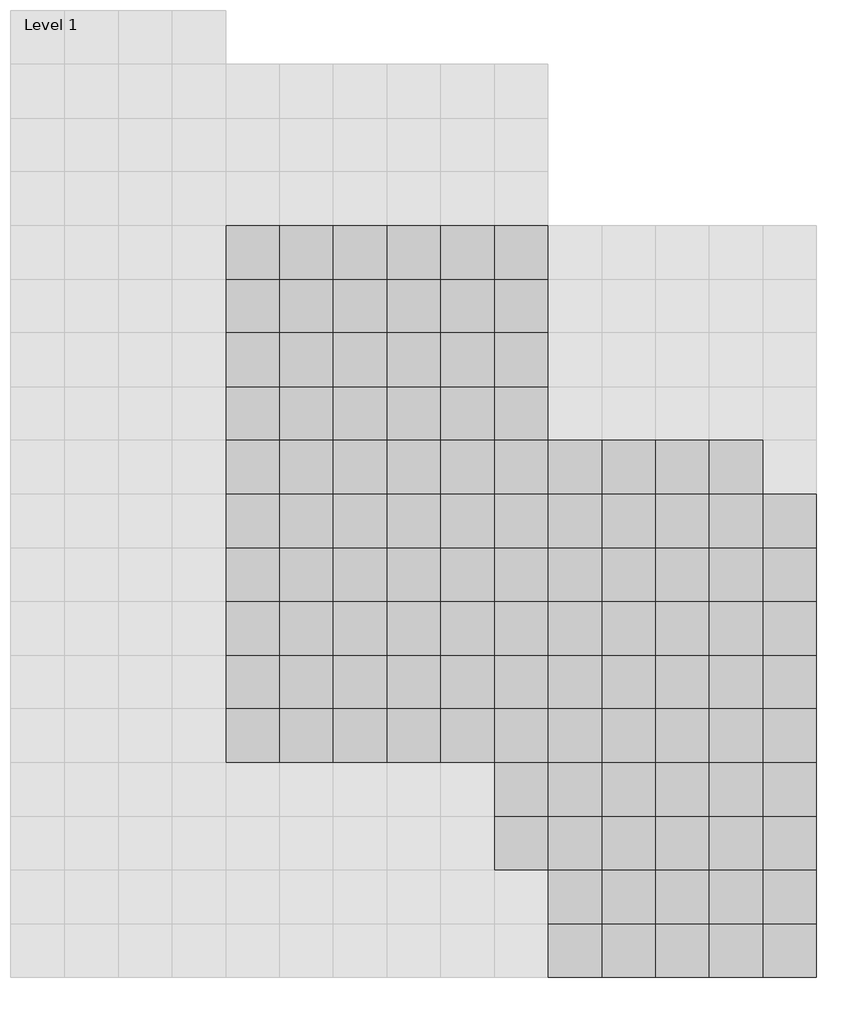
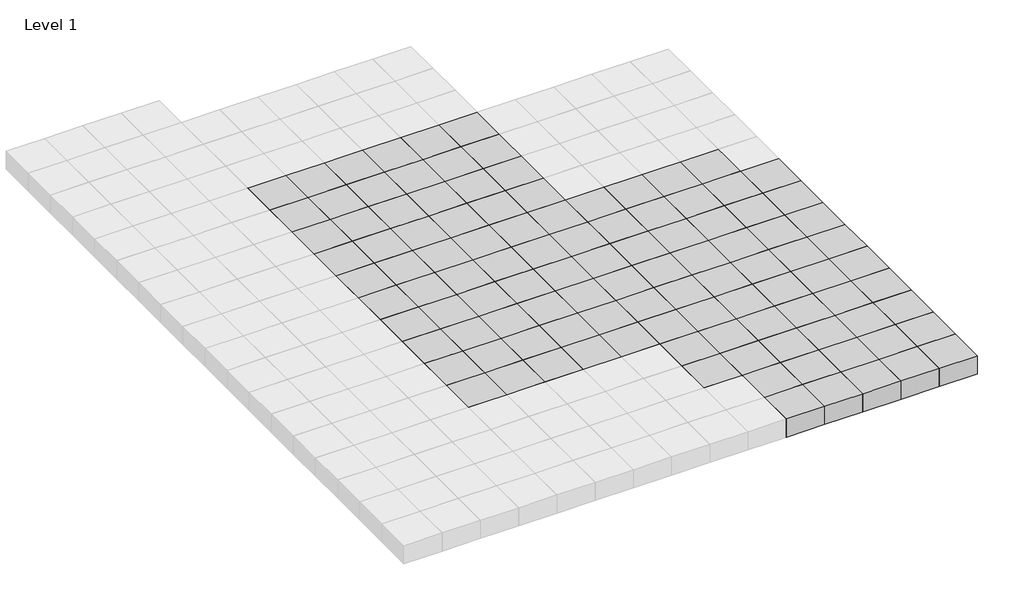
# One storey, part 23 of 30: 111 columns.
"""IFC4 building model written with IfcOpenShell, lengths in millimetres."""

import ifcopenshell
import ifcopenshell.guid

model = None  # the IFC model being written
_history = None  # IfcOwnerHistory: only IFC2X3 demands one
_inside = {}  # id of a spatial element -> (the spatial element, [elements in it])
_under = {}  # id of a project, library or spatial element -> (it, [spatial elements below it])
_declared = {}  # id of a project -> (the project, [libraries it declares])
_typed = {}  # id of a type object -> (the type object, [elements of that type])
_made_of = {}  # id of a material, layer set ... -> (it, [elements and type objects made of it])


def new_model(schema):
    """Start an empty IFC model of exactly this schema.

    Asked for "IFC4X3", IfcOpenShell would pick the latest addendum, in which some entities
    have other attributes; the version numbers below select the first issue.
    IFC2X3 requires an IfcOwnerHistory on every rooted entity: one is made here for all.
    """
    global model, _history
    if schema == "IFC4X3":
        model = ifcopenshell.file(schema_version=(4, 3, 0, 0))
    else:
        model = ifcopenshell.file(schema=schema)
    _inside.clear()
    _under.clear()
    _declared.clear()
    _typed.clear()
    _made_of.clear()
    _history = None
    if model.schema == "IFC2X3":
        org = make("IfcOrganization", Name="unknown")
        user = make(
            "IfcPersonAndOrganization",
            ThePerson=make("IfcPerson", FamilyName="unknown"),
            TheOrganization=org,
        )
        app = make(
            "IfcApplication",
            ApplicationDeveloper=org,
            Version="unknown",
            ApplicationFullName="unknown",
            ApplicationIdentifier="unknown",
        )
        _history = make(
            "IfcOwnerHistory",
            OwningUser=user,
            OwningApplication=app,
            ChangeAction="ADDED",
            CreationDate=0,
        )
    return model


def make(cls, **values):
    """One entity of the class cls with the attributes given. An attribute that is None is left unset."""
    return model.create_entity(
        cls, **{name: value for name, value in values.items() if value is not None}
    )


def rooted(cls, **values):
    """An entity with a GlobalId (a new one), such as an element, a storey or a relation."""
    return make(cls, GlobalId=ifcopenshell.guid.new(), OwnerHistory=_history, **values)


def si_unit(unit_type, name, prefix=None):
    """IfcSIUnit, for example si_unit("LENGTHUNIT", "METRE", prefix="MILLI")."""
    return make("IfcSIUnit", UnitType=unit_type, Prefix=prefix, Name=name)


def assignment(units):
    """IfcUnitAssignment: the units of a project."""
    return None if units is None else make("IfcUnitAssignment", Units=units)


def point(xyz):
    """IfcCartesianPoint."""
    return None if xyz is None else make("IfcCartesianPoint", Coordinates=xyz)


def direction(xyz):
    """IfcDirection."""
    return None if xyz is None else make("IfcDirection", DirectionRatios=xyz)


def frame(location, z_axis=None, x_axis=None):
    """IfcAxis2Placement3D, a coordinate frame: its origin and axes. An axis left out is left unset."""
    return make(
        "IfcAxis2Placement3D",
        Location=point(location),
        Axis=direction(z_axis),
        RefDirection=direction(x_axis),
    )


def origin():
    """The frame at (0, 0, 0) with its axes left unset."""
    return frame((0.0, 0.0, 0.0))


def origin_with_axes():
    """The frame at (0, 0, 0) with the z axis (0, 0, 1) and the x axis (1, 0, 0) written out."""
    return frame((0.0, 0.0, 0.0), z_axis=(0.0, 0.0, 1.0), x_axis=(1.0, 0.0, 0.0))


def place(relative_to, where):
    """IfcLocalPlacement: puts the frame where relative to a parent placement (None: the world)."""
    return make(
        "IfcLocalPlacement", PlacementRelTo=relative_to, RelativePlacement=where
    )


def context(
    kind, dimensions, precision=None, world=None, true_north=None, identifier=None
):
    """IfcGeometricRepresentationContext, for example the 3D "Model" context."""
    return make(
        "IfcGeometricRepresentationContext",
        ContextIdentifier=identifier,
        ContextType=kind,
        CoordinateSpaceDimension=dimensions,
        Precision=precision,
        WorldCoordinateSystem=world,
        TrueNorth=true_north,
    )


def project(units=None, contexts=None):
    """IfcProject with its units and contexts."""
    return rooted(
        "IfcProject",
        Name="project",
        RepresentationContexts=contexts,
        UnitsInContext=assignment(units),
    )


def spatial(cls, under=None, at=None, **own):
    """A site, building, storey or space (cls), placed at a placement, below another one or the project."""
    s = rooted(cls, ObjectPlacement=at, **own)
    if under is not None:
        _under.setdefault(under.id(), (under, []))[1].append(s)
    return s


def polyline(points):
    """IfcPolyline through the points."""
    return make("IfcPolyline", Points=[point(p) for p in points])


def outline(outer, holes=None, kind="AREA"):
    """IfcArbitraryClosedProfileDef: a profile drawn as a closed curve; with holes, ...WithVoids."""
    if holes is None:
        return make("IfcArbitraryClosedProfileDef", ProfileType=kind, OuterCurve=outer)
    return make(
        "IfcArbitraryProfileDefWithVoids",
        ProfileType=kind,
        OuterCurve=outer,
        InnerCurves=holes,
    )


def extrude(swept, where, along, depth):
    """IfcExtrudedAreaSolid: the profile swept, set in the frame where, extruded along a direction by depth."""
    return make(
        "IfcExtrudedAreaSolid",
        SweptArea=swept,
        Position=where,
        ExtrudedDirection=direction(along),
        Depth=depth,
    )


def shape(context_of_items, identifier, shape_type, items):
    """IfcShapeRepresentation: the items that make up one representation, for example the "Body"."""
    return make(
        "IfcShapeRepresentation",
        ContextOfItems=context_of_items,
        RepresentationIdentifier=identifier,
        RepresentationType=shape_type,
        Items=items,
    )


def source(mapping_origin, context_of_items, identifier, shape_type, items):
    """IfcRepresentationMap: a shape defined once, which mapped items show again and again."""
    return make(
        "IfcRepresentationMap",
        MappingOrigin=mapping_origin,
        MappedRepresentation=shape(context_of_items, identifier, shape_type, items),
    )


def transform(
    local_origin,
    x_axis=None,
    y_axis=None,
    z_axis=None,
    scale=None,
    scale2=None,
    scale3=None,
    uniform=True,
):
    """IfcCartesianTransformationOperator3D, or its non-uniform kind. x_axis, y_axis, z_axis: its Axis1, 2, 3."""
    if uniform:
        return make(
            "IfcCartesianTransformationOperator3D",
            Axis1=direction(x_axis),
            Axis2=direction(y_axis),
            LocalOrigin=point(local_origin),
            Scale=scale,
            Axis3=direction(z_axis),
        )
    return make(
        "IfcCartesianTransformationOperator3DnonUniform",
        Axis1=direction(x_axis),
        Axis2=direction(y_axis),
        LocalOrigin=point(local_origin),
        Scale=scale,
        Axis3=direction(z_axis),
        Scale2=scale2,
        Scale3=scale3,
    )


def mapped(mapping_source, mapping_target):
    """IfcMappedItem: shows the shape of a source again, moved by a transform."""
    return make(
        "IfcMappedItem", MappingSource=mapping_source, MappingTarget=mapping_target
    )


def made_of(thing, what):
    """Note that an element or type object is made of a material, layer set ...; save() writes the relation."""
    if what is not None:
        _made_of.setdefault(what.id(), (what, []))[1].append(thing)
    return thing


def element(
    cls,
    number,
    at=None,
    inside=None,
    cuts=None,
    type_object=None,
    material=None,
    context=None,
    identifier="Body",
    shape_type=None,
    held_by="IfcProductDefinitionShape",
    body=None,
    shapes=None,
    **own,
):
    """One element of the class cls, such as IfcWall. Its Tag is "e" and its number.

    at: its placement. inside: the storey or other place that contains it. cuts: it is an
    opening in that element (IfcRelVoidsElement). A single representation is given by context,
    identifier, shape_type and body (its items); several are given by shapes. held_by: the class
    of the entity that holds the representations. save() writes the other relations.
    """
    e = rooted(cls, Tag="e%d" % number, ObjectPlacement=at, **own)
    if body is not None:
        shapes = [shape(context, identifier, shape_type, body)]
    if shapes is not None:
        e.Representation = make(held_by, Representations=shapes)
    if inside is not None:
        _inside.setdefault(inside.id(), (inside, []))[1].append(e)
    if cuts is not None:
        rooted(
            "IfcRelVoidsElement", RelatingBuildingElement=cuts, RelatedOpeningElement=e
        )
    if type_object is not None:
        _typed.setdefault(type_object.id(), (type_object, []))[1].append(e)
    return made_of(e, material)


def aggregate(whole, parts):
    """IfcRelAggregates: a whole, such as a stair, and the parts it consists of."""
    return rooted("IfcRelAggregates", RelatingObject=whole, RelatedObjects=parts)


def save(model, path):
    """Write the relations noted so far, then the file.

    IfcRelAggregates (storeys below a building ...), IfcRelContainedInSpatialStructure (elements
    in a storey), IfcRelDefinesByType, IfcRelAssociatesMaterial and IfcRelDeclares: one each for
    every whole, place, type object, material and project.
    """
    for whole, parts in _under.values():
        aggregate(whole, parts)
    for where, things in _inside.values():
        rooted(
            "IfcRelContainedInSpatialStructure",
            RelatedElements=things,
            RelatingStructure=where,
        )
    for kind, things in _typed.values():
        rooted("IfcRelDefinesByType", RelatedObjects=things, RelatingType=kind)
    for what, things in _made_of.values():
        rooted("IfcRelAssociatesMaterial", RelatedObjects=things, RelatingMaterial=what)
    for by, libraries in _declared.values():
        rooted("IfcRelDeclares", RelatingContext=by, RelatedDefinitions=libraries)
    model.write(path)


def m_concrete_square_column_600_x_600mm_cc081a69(model_context):
    return source(origin(), model_context, "Body", "SweptSolid", [
        extrude(outline(polyline([(300.0, 300.0), (300.0, -300.0), (-300.0, -300.0), (-300.0, 300.0), (300.0, 300.0)])), origin_with_axes(), (0.0, 0.0, 1.0), 300.0),
    ])


model = new_model("IFC4")

# Units and contexts
model_context = context("Model", 3, world=origin())
ifc_project = project(units=[si_unit("LENGTHUNIT", "METRE", prefix="MILLI")], contexts=[model_context])

# Site, building, storey
site = spatial("IfcSite", under=ifc_project)
building = spatial("IfcBuilding", under=site)
storey = spatial("IfcBuildingStorey", under=building, Name="Level 1", Elevation=0.0)

# Columns
placement = place(None, origin())
m_concrete_square_column_600_x_600mm_shape = m_concrete_square_column_600_x_600mm_cc081a69(model_context)
element("IfcColumn", 1, ObjectType="M_Concrete-Square-Column : 600 x 600mm", at=placement, inside=storey, context=model_context, shape_type="MappedRepresentation", body=[
    mapped(m_concrete_square_column_600_x_600mm_shape, transform((104450.9001936, 7869.0976583, 0.0), x_axis=(1.0, 0.0, 0.0), y_axis=(0.0, 1.0, 0.0), z_axis=(0.0, 0.0, 1.0))),
])
element("IfcColumn", 2, ObjectType="M_Concrete-Square-Column : 600 x 600mm", at=placement, inside=storey, context=model_context, shape_type="MappedRepresentation", body=[
    mapped(m_concrete_square_column_600_x_600mm_shape, transform((104450.9001936, 7269.0976583, 0.0), x_axis=(1.0, 0.0, 0.0), y_axis=(0.0, 1.0, 0.0), z_axis=(0.0, 0.0, 1.0))),
])
element("IfcColumn", 3, ObjectType="M_Concrete-Square-Column : 600 x 600mm", at=placement, inside=storey, context=model_context, shape_type="MappedRepresentation", body=[
    mapped(m_concrete_square_column_600_x_600mm_shape, transform((104450.9001936, 6669.0976583, 0.0), x_axis=(1.0, 0.0, 0.0), y_axis=(0.0, 1.0, 0.0), z_axis=(0.0, 0.0, 1.0))),
])
element("IfcColumn", 4, ObjectType="M_Concrete-Square-Column : 600 x 600mm", at=placement, inside=storey, context=model_context, shape_type="MappedRepresentation", body=[
    mapped(m_concrete_square_column_600_x_600mm_shape, transform((104450.9001936, 6069.0976583, 0.0), x_axis=(1.0, 0.0, 0.0), y_axis=(0.0, 1.0, 0.0), z_axis=(0.0, 0.0, 1.0))),
])
element("IfcColumn", 5, ObjectType="M_Concrete-Square-Column : 600 x 600mm", at=placement, inside=storey, context=model_context, shape_type="MappedRepresentation", body=[
    mapped(m_concrete_square_column_600_x_600mm_shape, transform((104450.9001936, 5469.0976583, 0.0), x_axis=(1.0, 0.0, 0.0), y_axis=(0.0, 1.0, 0.0), z_axis=(0.0, 0.0, 1.0))),
])
element("IfcColumn", 6, ObjectType="M_Concrete-Square-Column : 600 x 600mm", at=placement, inside=storey, context=model_context, shape_type="MappedRepresentation", body=[
    mapped(m_concrete_square_column_600_x_600mm_shape, transform((105050.9001936, 7869.0976583, 0.0), x_axis=(1.0, 0.0, 0.0), y_axis=(0.0, 1.0, 0.0), z_axis=(0.0, 0.0, 1.0))),
])
element("IfcColumn", 7, ObjectType="M_Concrete-Square-Column : 600 x 600mm", at=placement, inside=storey, context=model_context, shape_type="MappedRepresentation", body=[
    mapped(m_concrete_square_column_600_x_600mm_shape, transform((105650.9001936, 7869.0976583, 0.0), x_axis=(1.0, 0.0, 0.0), y_axis=(0.0, 1.0, 0.0), z_axis=(0.0, 0.0, 1.0))),
])
element("IfcColumn", 8, ObjectType="M_Concrete-Square-Column : 600 x 600mm", at=placement, inside=storey, context=model_context, shape_type="MappedRepresentation", body=[
    mapped(m_concrete_square_column_600_x_600mm_shape, transform((106250.9001936, 7869.0976583, 0.0), x_axis=(1.0, 0.0, 0.0), y_axis=(0.0, 1.0, 0.0), z_axis=(0.0, 0.0, 1.0))),
])
element("IfcColumn", 9, ObjectType="M_Concrete-Square-Column : 600 x 600mm", at=placement, inside=storey, context=model_context, shape_type="MappedRepresentation", body=[
    mapped(m_concrete_square_column_600_x_600mm_shape, transform((106850.9001936, 7869.0976583, 0.0), x_axis=(1.0, 0.0, 0.0), y_axis=(0.0, 1.0, 0.0), z_axis=(0.0, 0.0, 1.0))),
])
element("IfcColumn", 10, ObjectType="M_Concrete-Square-Column : 600 x 600mm", at=placement, inside=storey, context=model_context, shape_type="MappedRepresentation", body=[
    mapped(m_concrete_square_column_600_x_600mm_shape, transform((107450.9001936, 7869.0976583, 0.0), x_axis=(1.0, 0.0, 0.0), y_axis=(0.0, 1.0, 0.0), z_axis=(0.0, 0.0, 1.0))),
])
element("IfcColumn", 11, ObjectType="M_Concrete-Square-Column : 600 x 600mm", at=placement, inside=storey, context=model_context, shape_type="MappedRepresentation", body=[
    mapped(m_concrete_square_column_600_x_600mm_shape, transform((105050.9001936, 7269.0976583, 0.0), x_axis=(1.0, 0.0, 0.0), y_axis=(0.0, 1.0, 0.0), z_axis=(0.0, 0.0, 1.0))),
])
element("IfcColumn", 12, ObjectType="M_Concrete-Square-Column : 600 x 600mm", at=placement, inside=storey, context=model_context, shape_type="MappedRepresentation", body=[
    mapped(m_concrete_square_column_600_x_600mm_shape, transform((105650.9001936, 7269.0976583, 0.0), x_axis=(1.0, 0.0, 0.0), y_axis=(0.0, 1.0, 0.0), z_axis=(0.0, 0.0, 1.0))),
])
element("IfcColumn", 13, ObjectType="M_Concrete-Square-Column : 600 x 600mm", at=placement, inside=storey, context=model_context, shape_type="MappedRepresentation", body=[
    mapped(m_concrete_square_column_600_x_600mm_shape, transform((106250.9001936, 7269.0976583, 0.0), x_axis=(1.0, 0.0, 0.0), y_axis=(0.0, 1.0, 0.0), z_axis=(0.0, 0.0, 1.0))),
])
element("IfcColumn", 14, ObjectType="M_Concrete-Square-Column : 600 x 600mm", at=placement, inside=storey, context=model_context, shape_type="MappedRepresentation", body=[
    mapped(m_concrete_square_column_600_x_600mm_shape, transform((106850.9001936, 7269.0976583, 0.0), x_axis=(1.0, 0.0, 0.0), y_axis=(0.0, 1.0, 0.0), z_axis=(0.0, 0.0, 1.0))),
])
element("IfcColumn", 15, ObjectType="M_Concrete-Square-Column : 600 x 600mm", at=placement, inside=storey, context=model_context, shape_type="MappedRepresentation", body=[
    mapped(m_concrete_square_column_600_x_600mm_shape, transform((107450.9001936, 7269.0976583, 0.0), x_axis=(1.0, 0.0, 0.0), y_axis=(0.0, 1.0, 0.0), z_axis=(0.0, 0.0, 1.0))),
])
element("IfcColumn", 16, ObjectType="M_Concrete-Square-Column : 600 x 600mm", at=placement, inside=storey, context=model_context, shape_type="MappedRepresentation", body=[
    mapped(m_concrete_square_column_600_x_600mm_shape, transform((105050.9001936, 6669.0976583, 0.0), x_axis=(1.0, 0.0, 0.0), y_axis=(0.0, 1.0, 0.0), z_axis=(0.0, 0.0, 1.0))),
])
element("IfcColumn", 17, ObjectType="M_Concrete-Square-Column : 600 x 600mm", at=placement, inside=storey, context=model_context, shape_type="MappedRepresentation", body=[
    mapped(m_concrete_square_column_600_x_600mm_shape, transform((105650.9001936, 6669.0976583, 0.0), x_axis=(1.0, 0.0, 0.0), y_axis=(0.0, 1.0, 0.0), z_axis=(0.0, 0.0, 1.0))),
])
element("IfcColumn", 18, ObjectType="M_Concrete-Square-Column : 600 x 600mm", at=placement, inside=storey, context=model_context, shape_type="MappedRepresentation", body=[
    mapped(m_concrete_square_column_600_x_600mm_shape, transform((106250.9001936, 6669.0976583, 0.0), x_axis=(1.0, 0.0, 0.0), y_axis=(0.0, 1.0, 0.0), z_axis=(0.0, 0.0, 1.0))),
])
element("IfcColumn", 19, ObjectType="M_Concrete-Square-Column : 600 x 600mm", at=placement, inside=storey, context=model_context, shape_type="MappedRepresentation", body=[
    mapped(m_concrete_square_column_600_x_600mm_shape, transform((106850.9001936, 6669.0976583, 0.0), x_axis=(1.0, 0.0, 0.0), y_axis=(0.0, 1.0, 0.0), z_axis=(0.0, 0.0, 1.0))),
])
element("IfcColumn", 20, ObjectType="M_Concrete-Square-Column : 600 x 600mm", at=placement, inside=storey, context=model_context, shape_type="MappedRepresentation", body=[
    mapped(m_concrete_square_column_600_x_600mm_shape, transform((107450.9001936, 6669.0976583, 0.0), x_axis=(1.0, 0.0, 0.0), y_axis=(0.0, 1.0, 0.0), z_axis=(0.0, 0.0, 1.0))),
])
element("IfcColumn", 21, ObjectType="M_Concrete-Square-Column : 600 x 600mm", at=placement, inside=storey, context=model_context, shape_type="MappedRepresentation", body=[
    mapped(m_concrete_square_column_600_x_600mm_shape, transform((105050.9001936, 6069.0976583, 0.0), x_axis=(1.0, 0.0, 0.0), y_axis=(0.0, 1.0, 0.0), z_axis=(0.0, 0.0, 1.0))),
])
element("IfcColumn", 22, ObjectType="M_Concrete-Square-Column : 600 x 600mm", at=placement, inside=storey, context=model_context, shape_type="MappedRepresentation", body=[
    mapped(m_concrete_square_column_600_x_600mm_shape, transform((105650.9001936, 6069.0976583, 0.0), x_axis=(1.0, 0.0, 0.0), y_axis=(0.0, 1.0, 0.0), z_axis=(0.0, 0.0, 1.0))),
])
element("IfcColumn", 23, ObjectType="M_Concrete-Square-Column : 600 x 600mm", at=placement, inside=storey, context=model_context, shape_type="MappedRepresentation", body=[
    mapped(m_concrete_square_column_600_x_600mm_shape, transform((106250.9001936, 6069.0976583, 0.0), x_axis=(1.0, 0.0, 0.0), y_axis=(0.0, 1.0, 0.0), z_axis=(0.0, 0.0, 1.0))),
])
element("IfcColumn", 24, ObjectType="M_Concrete-Square-Column : 600 x 600mm", at=placement, inside=storey, context=model_context, shape_type="MappedRepresentation", body=[
    mapped(m_concrete_square_column_600_x_600mm_shape, transform((106850.9001936, 6069.0976583, 0.0), x_axis=(1.0, 0.0, 0.0), y_axis=(0.0, 1.0, 0.0), z_axis=(0.0, 0.0, 1.0))),
])
element("IfcColumn", 25, ObjectType="M_Concrete-Square-Column : 600 x 600mm", at=placement, inside=storey, context=model_context, shape_type="MappedRepresentation", body=[
    mapped(m_concrete_square_column_600_x_600mm_shape, transform((107450.9001936, 6069.0976583, 0.0), x_axis=(1.0, 0.0, 0.0), y_axis=(0.0, 1.0, 0.0), z_axis=(0.0, 0.0, 1.0))),
])
element("IfcColumn", 26, ObjectType="M_Concrete-Square-Column : 600 x 600mm", at=placement, inside=storey, context=model_context, shape_type="MappedRepresentation", body=[
    mapped(m_concrete_square_column_600_x_600mm_shape, transform((105050.9001936, 5469.0976583, 0.0), x_axis=(1.0, 0.0, 0.0), y_axis=(0.0, 1.0, 0.0), z_axis=(0.0, 0.0, 1.0))),
])
element("IfcColumn", 27, ObjectType="M_Concrete-Square-Column : 600 x 600mm", at=placement, inside=storey, context=model_context, shape_type="MappedRepresentation", body=[
    mapped(m_concrete_square_column_600_x_600mm_shape, transform((105650.9001936, 5469.0976583, 0.0), x_axis=(1.0, 0.0, 0.0), y_axis=(0.0, 1.0, 0.0), z_axis=(0.0, 0.0, 1.0))),
])
element("IfcColumn", 28, ObjectType="M_Concrete-Square-Column : 600 x 600mm", at=placement, inside=storey, context=model_context, shape_type="MappedRepresentation", body=[
    mapped(m_concrete_square_column_600_x_600mm_shape, transform((106250.9001936, 5469.0976583, 0.0), x_axis=(1.0, 0.0, 0.0), y_axis=(0.0, 1.0, 0.0), z_axis=(0.0, 0.0, 1.0))),
])
element("IfcColumn", 29, ObjectType="M_Concrete-Square-Column : 600 x 600mm", at=placement, inside=storey, context=model_context, shape_type="MappedRepresentation", body=[
    mapped(m_concrete_square_column_600_x_600mm_shape, transform((106850.9001936, 5469.0976583, 0.0), x_axis=(1.0, 0.0, 0.0), y_axis=(0.0, 1.0, 0.0), z_axis=(0.0, 0.0, 1.0))),
])
element("IfcColumn", 30, ObjectType="M_Concrete-Square-Column : 600 x 600mm", at=placement, inside=storey, context=model_context, shape_type="MappedRepresentation", body=[
    mapped(m_concrete_square_column_600_x_600mm_shape, transform((107450.9001936, 5469.0976583, 0.0), x_axis=(1.0, 0.0, 0.0), y_axis=(0.0, 1.0, 0.0), z_axis=(0.0, 0.0, 1.0))),
])
element("IfcColumn", 31, ObjectType="M_Concrete-Square-Column : 600 x 600mm", at=placement, inside=storey, context=model_context, shape_type="MappedRepresentation", body=[
    mapped(m_concrete_square_column_600_x_600mm_shape, transform((108050.9001936, 5469.0976583, 0.0), x_axis=(1.0, 0.0, 0.0), y_axis=(0.0, 1.0, 0.0), z_axis=(0.0, 0.0, 1.0))),
])
element("IfcColumn", 32, ObjectType="M_Concrete-Square-Column : 600 x 600mm", at=placement, inside=storey, context=model_context, shape_type="MappedRepresentation", body=[
    mapped(m_concrete_square_column_600_x_600mm_shape, transform((108650.9001936, 5469.0976583, 0.0), x_axis=(1.0, 0.0, 0.0), y_axis=(0.0, 1.0, 0.0), z_axis=(0.0, 0.0, 1.0))),
])
element("IfcColumn", 33, ObjectType="M_Concrete-Square-Column : 600 x 600mm", at=placement, inside=storey, context=model_context, shape_type="MappedRepresentation", body=[
    mapped(m_concrete_square_column_600_x_600mm_shape, transform((109250.9001936, 5469.0976583, 0.0), x_axis=(1.0, 0.0, 0.0), y_axis=(0.0, 1.0, 0.0), z_axis=(0.0, 0.0, 1.0))),
])
element("IfcColumn", 34, ObjectType="M_Concrete-Square-Column : 600 x 600mm", at=placement, inside=storey, context=model_context, shape_type="MappedRepresentation", body=[
    mapped(m_concrete_square_column_600_x_600mm_shape, transform((109850.9001936, 5469.0976583, 0.0), x_axis=(1.0, 0.0, 0.0), y_axis=(0.0, 1.0, 0.0), z_axis=(0.0, 0.0, 1.0))),
])
element("IfcColumn", 35, ObjectType="M_Concrete-Square-Column : 600 x 600mm", at=placement, inside=storey, context=model_context, shape_type="MappedRepresentation", body=[
    mapped(m_concrete_square_column_600_x_600mm_shape, transform((104450.9001936, 4869.0976583, 0.0), x_axis=(1.0, 0.0, 0.0), y_axis=(0.0, 1.0, 0.0), z_axis=(0.0, 0.0, 1.0))),
])
element("IfcColumn", 36, ObjectType="M_Concrete-Square-Column : 600 x 600mm", at=placement, inside=storey, context=model_context, shape_type="MappedRepresentation", body=[
    mapped(m_concrete_square_column_600_x_600mm_shape, transform((104450.9001936, 4269.0976583, 0.0), x_axis=(1.0, 0.0, 0.0), y_axis=(0.0, 1.0, 0.0), z_axis=(0.0, 0.0, 1.0))),
])
element("IfcColumn", 37, ObjectType="M_Concrete-Square-Column : 600 x 600mm", at=placement, inside=storey, context=model_context, shape_type="MappedRepresentation", body=[
    mapped(m_concrete_square_column_600_x_600mm_shape, transform((104450.9001936, 3669.0976583, 0.0), x_axis=(1.0, 0.0, 0.0), y_axis=(0.0, 1.0, 0.0), z_axis=(0.0, 0.0, 1.0))),
])
element("IfcColumn", 38, ObjectType="M_Concrete-Square-Column : 600 x 600mm", at=placement, inside=storey, context=model_context, shape_type="MappedRepresentation", body=[
    mapped(m_concrete_square_column_600_x_600mm_shape, transform((104450.9001936, 3069.0976583, 0.0), x_axis=(1.0, 0.0, 0.0), y_axis=(0.0, 1.0, 0.0), z_axis=(0.0, 0.0, 1.0))),
])
element("IfcColumn", 39, ObjectType="M_Concrete-Square-Column : 600 x 600mm", at=placement, inside=storey, context=model_context, shape_type="MappedRepresentation", body=[
    mapped(m_concrete_square_column_600_x_600mm_shape, transform((104450.9001936, 2469.0976583, 0.0), x_axis=(1.0, 0.0, 0.0), y_axis=(0.0, 1.0, 0.0), z_axis=(0.0, 0.0, 1.0))),
])
element("IfcColumn", 40, ObjectType="M_Concrete-Square-Column : 600 x 600mm", at=placement, inside=storey, context=model_context, shape_type="MappedRepresentation", body=[
    mapped(m_concrete_square_column_600_x_600mm_shape, transform((105050.9001936, 4869.0976583, 0.0), x_axis=(1.0, 0.0, 0.0), y_axis=(0.0, 1.0, 0.0), z_axis=(0.0, 0.0, 1.0))),
])
element("IfcColumn", 41, ObjectType="M_Concrete-Square-Column : 600 x 600mm", at=placement, inside=storey, context=model_context, shape_type="MappedRepresentation", body=[
    mapped(m_concrete_square_column_600_x_600mm_shape, transform((105650.9001936, 4869.0976583, 0.0), x_axis=(1.0, 0.0, 0.0), y_axis=(0.0, 1.0, 0.0), z_axis=(0.0, 0.0, 1.0))),
])
element("IfcColumn", 42, ObjectType="M_Concrete-Square-Column : 600 x 600mm", at=placement, inside=storey, context=model_context, shape_type="MappedRepresentation", body=[
    mapped(m_concrete_square_column_600_x_600mm_shape, transform((106250.9001936, 4869.0976583, 0.0), x_axis=(1.0, 0.0, 0.0), y_axis=(0.0, 1.0, 0.0), z_axis=(0.0, 0.0, 1.0))),
])
element("IfcColumn", 43, ObjectType="M_Concrete-Square-Column : 600 x 600mm", at=placement, inside=storey, context=model_context, shape_type="MappedRepresentation", body=[
    mapped(m_concrete_square_column_600_x_600mm_shape, transform((106850.9001936, 4869.0976583, 0.0), x_axis=(1.0, 0.0, 0.0), y_axis=(0.0, 1.0, 0.0), z_axis=(0.0, 0.0, 1.0))),
])
element("IfcColumn", 44, ObjectType="M_Concrete-Square-Column : 600 x 600mm", at=placement, inside=storey, context=model_context, shape_type="MappedRepresentation", body=[
    mapped(m_concrete_square_column_600_x_600mm_shape, transform((107450.9001936, 4869.0976583, 0.0), x_axis=(1.0, 0.0, 0.0), y_axis=(0.0, 1.0, 0.0), z_axis=(0.0, 0.0, 1.0))),
])
element("IfcColumn", 45, ObjectType="M_Concrete-Square-Column : 600 x 600mm", at=placement, inside=storey, context=model_context, shape_type="MappedRepresentation", body=[
    mapped(m_concrete_square_column_600_x_600mm_shape, transform((105050.9001936, 4269.0976583, 0.0), x_axis=(1.0, 0.0, 0.0), y_axis=(0.0, 1.0, 0.0), z_axis=(0.0, 0.0, 1.0))),
])
element("IfcColumn", 46, ObjectType="M_Concrete-Square-Column : 600 x 600mm", at=placement, inside=storey, context=model_context, shape_type="MappedRepresentation", body=[
    mapped(m_concrete_square_column_600_x_600mm_shape, transform((105650.9001936, 4269.0976583, 0.0), x_axis=(1.0, 0.0, 0.0), y_axis=(0.0, 1.0, 0.0), z_axis=(0.0, 0.0, 1.0))),
])
element("IfcColumn", 47, ObjectType="M_Concrete-Square-Column : 600 x 600mm", at=placement, inside=storey, context=model_context, shape_type="MappedRepresentation", body=[
    mapped(m_concrete_square_column_600_x_600mm_shape, transform((106250.9001936, 4269.0976583, 0.0), x_axis=(1.0, 0.0, 0.0), y_axis=(0.0, 1.0, 0.0), z_axis=(0.0, 0.0, 1.0))),
])
element("IfcColumn", 48, ObjectType="M_Concrete-Square-Column : 600 x 600mm", at=placement, inside=storey, context=model_context, shape_type="MappedRepresentation", body=[
    mapped(m_concrete_square_column_600_x_600mm_shape, transform((106850.9001936, 4269.0976583, 0.0), x_axis=(1.0, 0.0, 0.0), y_axis=(0.0, 1.0, 0.0), z_axis=(0.0, 0.0, 1.0))),
])
element("IfcColumn", 49, ObjectType="M_Concrete-Square-Column : 600 x 600mm", at=placement, inside=storey, context=model_context, shape_type="MappedRepresentation", body=[
    mapped(m_concrete_square_column_600_x_600mm_shape, transform((107450.9001936, 4269.0976583, 0.0), x_axis=(1.0, 0.0, 0.0), y_axis=(0.0, 1.0, 0.0), z_axis=(0.0, 0.0, 1.0))),
])
element("IfcColumn", 50, ObjectType="M_Concrete-Square-Column : 600 x 600mm", at=placement, inside=storey, context=model_context, shape_type="MappedRepresentation", body=[
    mapped(m_concrete_square_column_600_x_600mm_shape, transform((105050.9001936, 3669.0976583, 0.0), x_axis=(1.0, 0.0, 0.0), y_axis=(0.0, 1.0, 0.0), z_axis=(0.0, 0.0, 1.0))),
])
element("IfcColumn", 51, ObjectType="M_Concrete-Square-Column : 600 x 600mm", at=placement, inside=storey, context=model_context, shape_type="MappedRepresentation", body=[
    mapped(m_concrete_square_column_600_x_600mm_shape, transform((105650.9001936, 3669.0976583, 0.0), x_axis=(1.0, 0.0, 0.0), y_axis=(0.0, 1.0, 0.0), z_axis=(0.0, 0.0, 1.0))),
])
element("IfcColumn", 52, ObjectType="M_Concrete-Square-Column : 600 x 600mm", at=placement, inside=storey, context=model_context, shape_type="MappedRepresentation", body=[
    mapped(m_concrete_square_column_600_x_600mm_shape, transform((106250.9001936, 3669.0976583, 0.0), x_axis=(1.0, 0.0, 0.0), y_axis=(0.0, 1.0, 0.0), z_axis=(0.0, 0.0, 1.0))),
])
element("IfcColumn", 53, ObjectType="M_Concrete-Square-Column : 600 x 600mm", at=placement, inside=storey, context=model_context, shape_type="MappedRepresentation", body=[
    mapped(m_concrete_square_column_600_x_600mm_shape, transform((106850.9001936, 3669.0976583, 0.0), x_axis=(1.0, 0.0, 0.0), y_axis=(0.0, 1.0, 0.0), z_axis=(0.0, 0.0, 1.0))),
])
element("IfcColumn", 54, ObjectType="M_Concrete-Square-Column : 600 x 600mm", at=placement, inside=storey, context=model_context, shape_type="MappedRepresentation", body=[
    mapped(m_concrete_square_column_600_x_600mm_shape, transform((107450.9001936, 3669.0976583, 0.0), x_axis=(1.0, 0.0, 0.0), y_axis=(0.0, 1.0, 0.0), z_axis=(0.0, 0.0, 1.0))),
])
element("IfcColumn", 55, ObjectType="M_Concrete-Square-Column : 600 x 600mm", at=placement, inside=storey, context=model_context, shape_type="MappedRepresentation", body=[
    mapped(m_concrete_square_column_600_x_600mm_shape, transform((105050.9001936, 3069.0976583, 0.0), x_axis=(1.0, 0.0, 0.0), y_axis=(0.0, 1.0, 0.0), z_axis=(0.0, 0.0, 1.0))),
])
element("IfcColumn", 56, ObjectType="M_Concrete-Square-Column : 600 x 600mm", at=placement, inside=storey, context=model_context, shape_type="MappedRepresentation", body=[
    mapped(m_concrete_square_column_600_x_600mm_shape, transform((105650.9001936, 3069.0976583, 0.0), x_axis=(1.0, 0.0, 0.0), y_axis=(0.0, 1.0, 0.0), z_axis=(0.0, 0.0, 1.0))),
])
element("IfcColumn", 57, ObjectType="M_Concrete-Square-Column : 600 x 600mm", at=placement, inside=storey, context=model_context, shape_type="MappedRepresentation", body=[
    mapped(m_concrete_square_column_600_x_600mm_shape, transform((106250.9001936, 3069.0976583, 0.0), x_axis=(1.0, 0.0, 0.0), y_axis=(0.0, 1.0, 0.0), z_axis=(0.0, 0.0, 1.0))),
])
element("IfcColumn", 58, ObjectType="M_Concrete-Square-Column : 600 x 600mm", at=placement, inside=storey, context=model_context, shape_type="MappedRepresentation", body=[
    mapped(m_concrete_square_column_600_x_600mm_shape, transform((106850.9001936, 3069.0976583, 0.0), x_axis=(1.0, 0.0, 0.0), y_axis=(0.0, 1.0, 0.0), z_axis=(0.0, 0.0, 1.0))),
])
element("IfcColumn", 59, ObjectType="M_Concrete-Square-Column : 600 x 600mm", at=placement, inside=storey, context=model_context, shape_type="MappedRepresentation", body=[
    mapped(m_concrete_square_column_600_x_600mm_shape, transform((107450.9001936, 3069.0976583, 0.0), x_axis=(1.0, 0.0, 0.0), y_axis=(0.0, 1.0, 0.0), z_axis=(0.0, 0.0, 1.0))),
])
element("IfcColumn", 60, ObjectType="M_Concrete-Square-Column : 600 x 600mm", at=placement, inside=storey, context=model_context, shape_type="MappedRepresentation", body=[
    mapped(m_concrete_square_column_600_x_600mm_shape, transform((105050.9001936, 2469.0976583, 0.0), x_axis=(1.0, 0.0, 0.0), y_axis=(0.0, 1.0, 0.0), z_axis=(0.0, 0.0, 1.0))),
])
element("IfcColumn", 61, ObjectType="M_Concrete-Square-Column : 600 x 600mm", at=placement, inside=storey, context=model_context, shape_type="MappedRepresentation", body=[
    mapped(m_concrete_square_column_600_x_600mm_shape, transform((105650.9001936, 2469.0976583, 0.0), x_axis=(1.0, 0.0, 0.0), y_axis=(0.0, 1.0, 0.0), z_axis=(0.0, 0.0, 1.0))),
])
element("IfcColumn", 62, ObjectType="M_Concrete-Square-Column : 600 x 600mm", at=placement, inside=storey, context=model_context, shape_type="MappedRepresentation", body=[
    mapped(m_concrete_square_column_600_x_600mm_shape, transform((106250.9001936, 2469.0976583, 0.0), x_axis=(1.0, 0.0, 0.0), y_axis=(0.0, 1.0, 0.0), z_axis=(0.0, 0.0, 1.0))),
])
element("IfcColumn", 63, ObjectType="M_Concrete-Square-Column : 600 x 600mm", at=placement, inside=storey, context=model_context, shape_type="MappedRepresentation", body=[
    mapped(m_concrete_square_column_600_x_600mm_shape, transform((106850.9001936, 2469.0976583, 0.0), x_axis=(1.0, 0.0, 0.0), y_axis=(0.0, 1.0, 0.0), z_axis=(0.0, 0.0, 1.0))),
])
element("IfcColumn", 64, ObjectType="M_Concrete-Square-Column : 600 x 600mm", at=placement, inside=storey, context=model_context, shape_type="MappedRepresentation", body=[
    mapped(m_concrete_square_column_600_x_600mm_shape, transform((107450.9001936, 2469.0976583, 0.0), x_axis=(1.0, 0.0, 0.0), y_axis=(0.0, 1.0, 0.0), z_axis=(0.0, 0.0, 1.0))),
])
element("IfcColumn", 65, ObjectType="M_Concrete-Square-Column : 600 x 600mm", at=placement, inside=storey, context=model_context, shape_type="MappedRepresentation", body=[
    mapped(m_concrete_square_column_600_x_600mm_shape, transform((108050.9001936, 4869.0976583, 0.0), x_axis=(1.0, 0.0, 0.0), y_axis=(0.0, 1.0, 0.0), z_axis=(0.0, 0.0, 1.0))),
])
element("IfcColumn", 66, ObjectType="M_Concrete-Square-Column : 600 x 600mm", at=placement, inside=storey, context=model_context, shape_type="MappedRepresentation", body=[
    mapped(m_concrete_square_column_600_x_600mm_shape, transform((108650.9001936, 4869.0976583, 0.0), x_axis=(1.0, 0.0, 0.0), y_axis=(0.0, 1.0, 0.0), z_axis=(0.0, 0.0, 1.0))),
])
element("IfcColumn", 67, ObjectType="M_Concrete-Square-Column : 600 x 600mm", at=placement, inside=storey, context=model_context, shape_type="MappedRepresentation", body=[
    mapped(m_concrete_square_column_600_x_600mm_shape, transform((109250.9001936, 4869.0976583, 0.0), x_axis=(1.0, 0.0, 0.0), y_axis=(0.0, 1.0, 0.0), z_axis=(0.0, 0.0, 1.0))),
])
element("IfcColumn", 68, ObjectType="M_Concrete-Square-Column : 600 x 600mm", at=placement, inside=storey, context=model_context, shape_type="MappedRepresentation", body=[
    mapped(m_concrete_square_column_600_x_600mm_shape, transform((109850.9001936, 4869.0976583, 0.0), x_axis=(1.0, 0.0, 0.0), y_axis=(0.0, 1.0, 0.0), z_axis=(0.0, 0.0, 1.0))),
])
element("IfcColumn", 69, ObjectType="M_Concrete-Square-Column : 600 x 600mm", at=placement, inside=storey, context=model_context, shape_type="MappedRepresentation", body=[
    mapped(m_concrete_square_column_600_x_600mm_shape, transform((110450.9001936, 4869.0976583, 0.0), x_axis=(1.0, 0.0, 0.0), y_axis=(0.0, 1.0, 0.0), z_axis=(0.0, 0.0, 1.0))),
])
element("IfcColumn", 70, ObjectType="M_Concrete-Square-Column : 600 x 600mm", at=placement, inside=storey, context=model_context, shape_type="MappedRepresentation", body=[
    mapped(m_concrete_square_column_600_x_600mm_shape, transform((108050.9001936, 4269.0976583, 0.0), x_axis=(1.0, 0.0, 0.0), y_axis=(0.0, 1.0, 0.0), z_axis=(0.0, 0.0, 1.0))),
])
element("IfcColumn", 71, ObjectType="M_Concrete-Square-Column : 600 x 600mm", at=placement, inside=storey, context=model_context, shape_type="MappedRepresentation", body=[
    mapped(m_concrete_square_column_600_x_600mm_shape, transform((108650.9001936, 4269.0976583, 0.0), x_axis=(1.0, 0.0, 0.0), y_axis=(0.0, 1.0, 0.0), z_axis=(0.0, 0.0, 1.0))),
])
element("IfcColumn", 72, ObjectType="M_Concrete-Square-Column : 600 x 600mm", at=placement, inside=storey, context=model_context, shape_type="MappedRepresentation", body=[
    mapped(m_concrete_square_column_600_x_600mm_shape, transform((109250.9001936, 4269.0976583, 0.0), x_axis=(1.0, 0.0, 0.0), y_axis=(0.0, 1.0, 0.0), z_axis=(0.0, 0.0, 1.0))),
])
element("IfcColumn", 73, ObjectType="M_Concrete-Square-Column : 600 x 600mm", at=placement, inside=storey, context=model_context, shape_type="MappedRepresentation", body=[
    mapped(m_concrete_square_column_600_x_600mm_shape, transform((109850.9001936, 4269.0976583, 0.0), x_axis=(1.0, 0.0, 0.0), y_axis=(0.0, 1.0, 0.0), z_axis=(0.0, 0.0, 1.0))),
])
element("IfcColumn", 74, ObjectType="M_Concrete-Square-Column : 600 x 600mm", at=placement, inside=storey, context=model_context, shape_type="MappedRepresentation", body=[
    mapped(m_concrete_square_column_600_x_600mm_shape, transform((110450.9001936, 4269.0976583, 0.0), x_axis=(1.0, 0.0, 0.0), y_axis=(0.0, 1.0, 0.0), z_axis=(0.0, 0.0, 1.0))),
])
element("IfcColumn", 75, ObjectType="M_Concrete-Square-Column : 600 x 600mm", at=placement, inside=storey, context=model_context, shape_type="MappedRepresentation", body=[
    mapped(m_concrete_square_column_600_x_600mm_shape, transform((108050.9001936, 3669.0976583, 0.0), x_axis=(1.0, 0.0, 0.0), y_axis=(0.0, 1.0, 0.0), z_axis=(0.0, 0.0, 1.0))),
])
element("IfcColumn", 76, ObjectType="M_Concrete-Square-Column : 600 x 600mm", at=placement, inside=storey, context=model_context, shape_type="MappedRepresentation", body=[
    mapped(m_concrete_square_column_600_x_600mm_shape, transform((108650.9001936, 3669.0976583, 0.0), x_axis=(1.0, 0.0, 0.0), y_axis=(0.0, 1.0, 0.0), z_axis=(0.0, 0.0, 1.0))),
])
element("IfcColumn", 77, ObjectType="M_Concrete-Square-Column : 600 x 600mm", at=placement, inside=storey, context=model_context, shape_type="MappedRepresentation", body=[
    mapped(m_concrete_square_column_600_x_600mm_shape, transform((109250.9001936, 3669.0976583, 0.0), x_axis=(1.0, 0.0, 0.0), y_axis=(0.0, 1.0, 0.0), z_axis=(0.0, 0.0, 1.0))),
])
element("IfcColumn", 78, ObjectType="M_Concrete-Square-Column : 600 x 600mm", at=placement, inside=storey, context=model_context, shape_type="MappedRepresentation", body=[
    mapped(m_concrete_square_column_600_x_600mm_shape, transform((109850.9001936, 3669.0976583, 0.0), x_axis=(1.0, 0.0, 0.0), y_axis=(0.0, 1.0, 0.0), z_axis=(0.0, 0.0, 1.0))),
])
element("IfcColumn", 79, ObjectType="M_Concrete-Square-Column : 600 x 600mm", at=placement, inside=storey, context=model_context, shape_type="MappedRepresentation", body=[
    mapped(m_concrete_square_column_600_x_600mm_shape, transform((110450.9001936, 3669.0976583, 0.0), x_axis=(1.0, 0.0, 0.0), y_axis=(0.0, 1.0, 0.0), z_axis=(0.0, 0.0, 1.0))),
])
element("IfcColumn", 80, ObjectType="M_Concrete-Square-Column : 600 x 600mm", at=placement, inside=storey, context=model_context, shape_type="MappedRepresentation", body=[
    mapped(m_concrete_square_column_600_x_600mm_shape, transform((108050.9001936, 3069.0976583, 0.0), x_axis=(1.0, 0.0, 0.0), y_axis=(0.0, 1.0, 0.0), z_axis=(0.0, 0.0, 1.0))),
])
element("IfcColumn", 81, ObjectType="M_Concrete-Square-Column : 600 x 600mm", at=placement, inside=storey, context=model_context, shape_type="MappedRepresentation", body=[
    mapped(m_concrete_square_column_600_x_600mm_shape, transform((108650.9001936, 3069.0976583, 0.0), x_axis=(1.0, 0.0, 0.0), y_axis=(0.0, 1.0, 0.0), z_axis=(0.0, 0.0, 1.0))),
])
element("IfcColumn", 82, ObjectType="M_Concrete-Square-Column : 600 x 600mm", at=placement, inside=storey, context=model_context, shape_type="MappedRepresentation", body=[
    mapped(m_concrete_square_column_600_x_600mm_shape, transform((109250.9001936, 3069.0976583, 0.0), x_axis=(1.0, 0.0, 0.0), y_axis=(0.0, 1.0, 0.0), z_axis=(0.0, 0.0, 1.0))),
])
element("IfcColumn", 83, ObjectType="M_Concrete-Square-Column : 600 x 600mm", at=placement, inside=storey, context=model_context, shape_type="MappedRepresentation", body=[
    mapped(m_concrete_square_column_600_x_600mm_shape, transform((109850.9001936, 3069.0976583, 0.0), x_axis=(1.0, 0.0, 0.0), y_axis=(0.0, 1.0, 0.0), z_axis=(0.0, 0.0, 1.0))),
])
element("IfcColumn", 84, ObjectType="M_Concrete-Square-Column : 600 x 600mm", at=placement, inside=storey, context=model_context, shape_type="MappedRepresentation", body=[
    mapped(m_concrete_square_column_600_x_600mm_shape, transform((110450.9001936, 3069.0976583, 0.0), x_axis=(1.0, 0.0, 0.0), y_axis=(0.0, 1.0, 0.0), z_axis=(0.0, 0.0, 1.0))),
])
element("IfcColumn", 85, ObjectType="M_Concrete-Square-Column : 600 x 600mm", at=placement, inside=storey, context=model_context, shape_type="MappedRepresentation", body=[
    mapped(m_concrete_square_column_600_x_600mm_shape, transform((108050.9001936, 2469.0976583, 0.0), x_axis=(1.0, 0.0, 0.0), y_axis=(0.0, 1.0, 0.0), z_axis=(0.0, 0.0, 1.0))),
])
element("IfcColumn", 86, ObjectType="M_Concrete-Square-Column : 600 x 600mm", at=placement, inside=storey, context=model_context, shape_type="MappedRepresentation", body=[
    mapped(m_concrete_square_column_600_x_600mm_shape, transform((108650.9001936, 2469.0976583, 0.0), x_axis=(1.0, 0.0, 0.0), y_axis=(0.0, 1.0, 0.0), z_axis=(0.0, 0.0, 1.0))),
])
element("IfcColumn", 87, ObjectType="M_Concrete-Square-Column : 600 x 600mm", at=placement, inside=storey, context=model_context, shape_type="MappedRepresentation", body=[
    mapped(m_concrete_square_column_600_x_600mm_shape, transform((109250.9001936, 2469.0976583, 0.0), x_axis=(1.0, 0.0, 0.0), y_axis=(0.0, 1.0, 0.0), z_axis=(0.0, 0.0, 1.0))),
])
element("IfcColumn", 88, ObjectType="M_Concrete-Square-Column : 600 x 600mm", at=placement, inside=storey, context=model_context, shape_type="MappedRepresentation", body=[
    mapped(m_concrete_square_column_600_x_600mm_shape, transform((109850.9001936, 2469.0976583, 0.0), x_axis=(1.0, 0.0, 0.0), y_axis=(0.0, 1.0, 0.0), z_axis=(0.0, 0.0, 1.0))),
])
element("IfcColumn", 89, ObjectType="M_Concrete-Square-Column : 600 x 600mm", at=placement, inside=storey, context=model_context, shape_type="MappedRepresentation", body=[
    mapped(m_concrete_square_column_600_x_600mm_shape, transform((110450.9001936, 2469.0976583, 0.0), x_axis=(1.0, 0.0, 0.0), y_axis=(0.0, 1.0, 0.0), z_axis=(0.0, 0.0, 1.0))),
])
element("IfcColumn", 90, ObjectType="M_Concrete-Square-Column : 600 x 600mm", at=placement, inside=storey, context=model_context, shape_type="MappedRepresentation", body=[
    mapped(m_concrete_square_column_600_x_600mm_shape, transform((107450.9001936, 1869.0976583, 0.0), x_axis=(1.0, 0.0, 0.0), y_axis=(0.0, 1.0, 0.0), z_axis=(0.0, 0.0, 1.0))),
])
element("IfcColumn", 91, ObjectType="M_Concrete-Square-Column : 600 x 600mm", at=placement, inside=storey, context=model_context, shape_type="MappedRepresentation", body=[
    mapped(m_concrete_square_column_600_x_600mm_shape, transform((107450.9001936, 1269.0976583, 0.0), x_axis=(1.0, 0.0, 0.0), y_axis=(0.0, 1.0, 0.0), z_axis=(0.0, 0.0, 1.0))),
])
element("IfcColumn", 92, ObjectType="M_Concrete-Square-Column : 600 x 600mm", at=placement, inside=storey, context=model_context, shape_type="MappedRepresentation", body=[
    mapped(m_concrete_square_column_600_x_600mm_shape, transform((108050.9001936, 1869.0976583, 0.0), x_axis=(1.0, 0.0, 0.0), y_axis=(0.0, 1.0, 0.0), z_axis=(0.0, 0.0, 1.0))),
])
element("IfcColumn", 93, ObjectType="M_Concrete-Square-Column : 600 x 600mm", at=placement, inside=storey, context=model_context, shape_type="MappedRepresentation", body=[
    mapped(m_concrete_square_column_600_x_600mm_shape, transform((108650.9001936, 1869.0976583, 0.0), x_axis=(1.0, 0.0, 0.0), y_axis=(0.0, 1.0, 0.0), z_axis=(0.0, 0.0, 1.0))),
])
element("IfcColumn", 94, ObjectType="M_Concrete-Square-Column : 600 x 600mm", at=placement, inside=storey, context=model_context, shape_type="MappedRepresentation", body=[
    mapped(m_concrete_square_column_600_x_600mm_shape, transform((109250.9001936, 1869.0976583, 0.0), x_axis=(1.0, 0.0, 0.0), y_axis=(0.0, 1.0, 0.0), z_axis=(0.0, 0.0, 1.0))),
])
element("IfcColumn", 95, ObjectType="M_Concrete-Square-Column : 600 x 600mm", at=placement, inside=storey, context=model_context, shape_type="MappedRepresentation", body=[
    mapped(m_concrete_square_column_600_x_600mm_shape, transform((109850.9001936, 1869.0976583, 0.0), x_axis=(1.0, 0.0, 0.0), y_axis=(0.0, 1.0, 0.0), z_axis=(0.0, 0.0, 1.0))),
])
element("IfcColumn", 96, ObjectType="M_Concrete-Square-Column : 600 x 600mm", at=placement, inside=storey, context=model_context, shape_type="MappedRepresentation", body=[
    mapped(m_concrete_square_column_600_x_600mm_shape, transform((110450.9001936, 1869.0976583, 0.0), x_axis=(1.0, 0.0, 0.0), y_axis=(0.0, 1.0, 0.0), z_axis=(0.0, 0.0, 1.0))),
])
element("IfcColumn", 97, ObjectType="M_Concrete-Square-Column : 600 x 600mm", at=placement, inside=storey, context=model_context, shape_type="MappedRepresentation", body=[
    mapped(m_concrete_square_column_600_x_600mm_shape, transform((108050.9001936, 1269.0976583, 0.0), x_axis=(1.0, 0.0, 0.0), y_axis=(0.0, 1.0, 0.0), z_axis=(0.0, 0.0, 1.0))),
])
element("IfcColumn", 98, ObjectType="M_Concrete-Square-Column : 600 x 600mm", at=placement, inside=storey, context=model_context, shape_type="MappedRepresentation", body=[
    mapped(m_concrete_square_column_600_x_600mm_shape, transform((108650.9001936, 1269.0976583, 0.0), x_axis=(1.0, 0.0, 0.0), y_axis=(0.0, 1.0, 0.0), z_axis=(0.0, 0.0, 1.0))),
])
element("IfcColumn", 99, ObjectType="M_Concrete-Square-Column : 600 x 600mm", at=placement, inside=storey, context=model_context, shape_type="MappedRepresentation", body=[
    mapped(m_concrete_square_column_600_x_600mm_shape, transform((109250.9001936, 1269.0976583, 0.0), x_axis=(1.0, 0.0, 0.0), y_axis=(0.0, 1.0, 0.0), z_axis=(0.0, 0.0, 1.0))),
])
element("IfcColumn", 100, ObjectType="M_Concrete-Square-Column : 600 x 600mm", at=placement, inside=storey, context=model_context, shape_type="MappedRepresentation", body=[
    mapped(m_concrete_square_column_600_x_600mm_shape, transform((109850.9001936, 1269.0976583, 0.0), x_axis=(1.0, 0.0, 0.0), y_axis=(0.0, 1.0, 0.0), z_axis=(0.0, 0.0, 1.0))),
])
element("IfcColumn", 101, ObjectType="M_Concrete-Square-Column : 600 x 600mm", at=placement, inside=storey, context=model_context, shape_type="MappedRepresentation", body=[
    mapped(m_concrete_square_column_600_x_600mm_shape, transform((110450.9001936, 1269.0976583, 0.0), x_axis=(1.0, 0.0, 0.0), y_axis=(0.0, 1.0, 0.0), z_axis=(0.0, 0.0, 1.0))),
])
element("IfcColumn", 102, ObjectType="M_Concrete-Square-Column : 600 x 600mm", at=placement, inside=storey, context=model_context, shape_type="MappedRepresentation", body=[
    mapped(m_concrete_square_column_600_x_600mm_shape, transform((108050.9001936, 669.0976583, 0.0), x_axis=(1.0, 0.0, 0.0), y_axis=(0.0, 1.0, 0.0), z_axis=(0.0, 0.0, 1.0))),
])
element("IfcColumn", 103, ObjectType="M_Concrete-Square-Column : 600 x 600mm", at=placement, inside=storey, context=model_context, shape_type="MappedRepresentation", body=[
    mapped(m_concrete_square_column_600_x_600mm_shape, transform((108650.9001936, 669.0976583, 0.0), x_axis=(1.0, 0.0, 0.0), y_axis=(0.0, 1.0, 0.0), z_axis=(0.0, 0.0, 1.0))),
])
element("IfcColumn", 104, ObjectType="M_Concrete-Square-Column : 600 x 600mm", at=placement, inside=storey, context=model_context, shape_type="MappedRepresentation", body=[
    mapped(m_concrete_square_column_600_x_600mm_shape, transform((109250.9001936, 669.0976583, 0.0), x_axis=(1.0, 0.0, 0.0), y_axis=(0.0, 1.0, 0.0), z_axis=(0.0, 0.0, 1.0))),
])
element("IfcColumn", 105, ObjectType="M_Concrete-Square-Column : 600 x 600mm", at=placement, inside=storey, context=model_context, shape_type="MappedRepresentation", body=[
    mapped(m_concrete_square_column_600_x_600mm_shape, transform((109850.9001936, 669.0976583, 0.0), x_axis=(1.0, 0.0, 0.0), y_axis=(0.0, 1.0, 0.0), z_axis=(0.0, 0.0, 1.0))),
])
element("IfcColumn", 106, ObjectType="M_Concrete-Square-Column : 600 x 600mm", at=placement, inside=storey, context=model_context, shape_type="MappedRepresentation", body=[
    mapped(m_concrete_square_column_600_x_600mm_shape, transform((110450.9001936, 669.0976583, 0.0), x_axis=(1.0, 0.0, 0.0), y_axis=(0.0, 1.0, 0.0), z_axis=(0.0, 0.0, 1.0))),
])
element("IfcColumn", 107, ObjectType="M_Concrete-Square-Column : 600 x 600mm", at=placement, inside=storey, context=model_context, shape_type="MappedRepresentation", body=[
    mapped(m_concrete_square_column_600_x_600mm_shape, transform((108050.9001936, 69.0976583, 0.0), x_axis=(1.0, 0.0, 0.0), y_axis=(0.0, 1.0, 0.0), z_axis=(0.0, 0.0, 1.0))),
])
element("IfcColumn", 108, ObjectType="M_Concrete-Square-Column : 600 x 600mm", at=placement, inside=storey, context=model_context, shape_type="MappedRepresentation", body=[
    mapped(m_concrete_square_column_600_x_600mm_shape, transform((108650.9001936, 69.0976583, 0.0), x_axis=(1.0, 0.0, 0.0), y_axis=(0.0, 1.0, 0.0), z_axis=(0.0, 0.0, 1.0))),
])
element("IfcColumn", 109, ObjectType="M_Concrete-Square-Column : 600 x 600mm", at=placement, inside=storey, context=model_context, shape_type="MappedRepresentation", body=[
    mapped(m_concrete_square_column_600_x_600mm_shape, transform((109250.9001936, 69.0976583, 0.0), x_axis=(1.0, 0.0, 0.0), y_axis=(0.0, 1.0, 0.0), z_axis=(0.0, 0.0, 1.0))),
])
element("IfcColumn", 110, ObjectType="M_Concrete-Square-Column : 600 x 600mm", at=placement, inside=storey, context=model_context, shape_type="MappedRepresentation", body=[
    mapped(m_concrete_square_column_600_x_600mm_shape, transform((109850.9001936, 69.0976583, 0.0), x_axis=(1.0, 0.0, 0.0), y_axis=(0.0, 1.0, 0.0), z_axis=(0.0, 0.0, 1.0))),
])
element("IfcColumn", 111, ObjectType="M_Concrete-Square-Column : 600 x 600mm", at=placement, inside=storey, context=model_context, shape_type="MappedRepresentation", body=[
    mapped(m_concrete_square_column_600_x_600mm_shape, transform((110450.9001936, 69.0976583, 0.0), x_axis=(1.0, 0.0, 0.0), y_axis=(0.0, 1.0, 0.0), z_axis=(0.0, 0.0, 1.0))),
])

save(model, "model.ifc")
